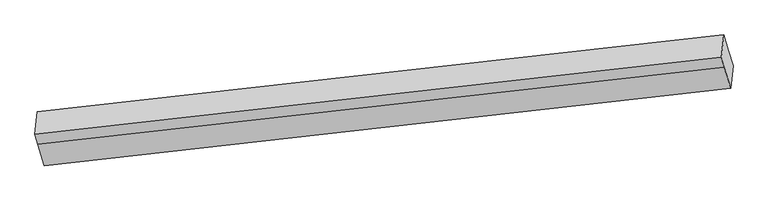
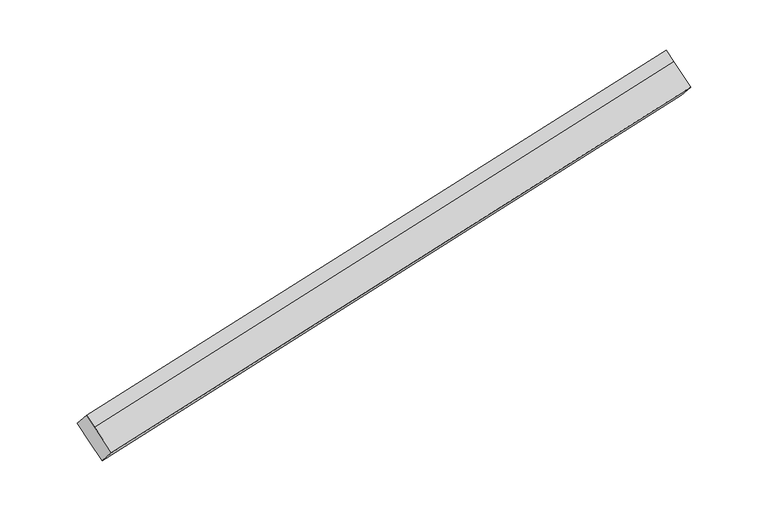
"""IFC4 building model written with IfcOpenShell, lengths in millimetres: proxy geometry."""

from ifc_helpers import new_model, si_unit, origin, place, context, project, spatial, faceted_brep, source, transform, mapped, element, save


def generic_models_8601a92c(model_context):
    return source(origin(), model_context, "Body", "Brep", [
        faceted_brep([(-6023.913454, -1909.6814263, 1021.3170229), (-6067.6863274, -1762.3491393, 1154.3481406), (368.9381198, -1038.7013364, 2474.6485964), (412.172644, -1184.2216283, 2343.2535881), (-6047.2037734, -2120.0714856, 1246.6610245), (388.8823245, -1394.6116876, 2568.5975898), (-6106.567954, -1920.261425, 1427.0760321), (329.5181439, -1194.801627, 2749.0125974), (-6134.7495203, -1825.4069117, 1512.7232598), (302.4132762, -1103.5711039, 2831.3876064), (-6111.4592008, -1615.0168523, 1287.3792582), (325.7035957, -893.1810445, 2606.0436047)], [[[0, 1, 2, 3]], [[4, 0, 3, 5]], [[6, 4, 5, 7]], [[8, 6, 7, 9]], [[10, 8, 9, 11]], [[1, 10, 11, 2]], [[9, 7, 5, 3, 2, 11]], [[1, 0, 4, 6, 8, 10]]]),
    ])


if __name__ == "__main__":
    model = new_model("IFC4")
    model_context = context("Model", 3, world=origin())
    ifc_project = project(units=[si_unit("LENGTHUNIT", "METRE", prefix="MILLI")], contexts=[model_context])
    site = spatial("IfcSite", under=ifc_project)
    building = spatial("IfcBuilding", under=site)
    placement = place(None, origin())
    generic_models_shape = generic_models_8601a92c(model_context)
    element("IfcBuildingElementProxy", 1, Name="Generic Models", at=placement, inside=building, context=model_context, shape_type="MappedRepresentation", body=[
        mapped(generic_models_shape, transform((0.0, 0.0, 0.0), x_axis=(1.0, 0.0, 0.0), y_axis=(0.0, 1.0, 0.0), z_axis=(0.0, 0.0, 1.0))),
    ])
    save(model, "model.ifc")
